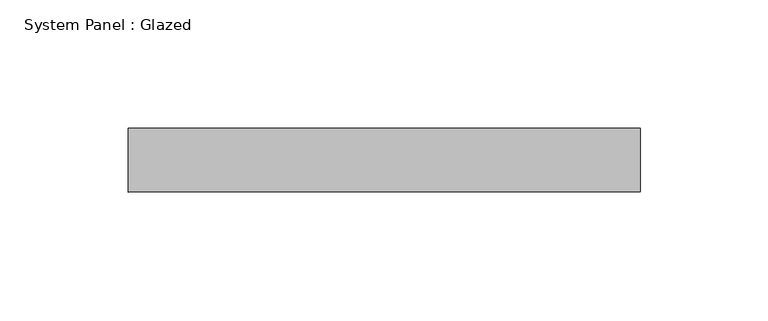
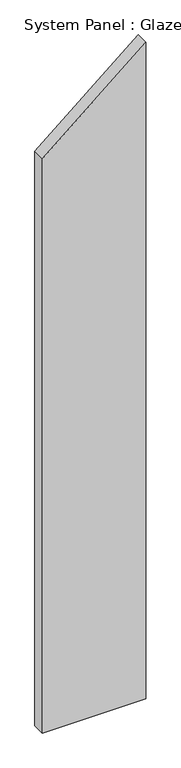
"""IFC4 building model written with IfcOpenShell, lengths in millimetres: plate geometry, System Panel : Glazed."""

from ifc_helpers import new_model, si_unit, frame, origin, place, context, project, spatial, polyline, outline, extrude, source, transform, mapped, element, save


def system_panel_glazed_e3a01a4f(model_context):
    return source(origin(), model_context, "Body", "SweptSolid", [
        extrude(outline(polyline([(0.0, -100.0), (0.0, 100.0), (1342.5594101, 100.0), (1174.7394839, -100.0), (0.0, -100.0)])), frame((0.0, 24.5, 0.0), z_axis=(0.0, 1.0, 0.0), x_axis=(0.0, 0.0, 1.0)), (0.0, 0.0, 1.0), 25.0),
    ])


if __name__ == "__main__":
    model = new_model("IFC4")
    model_context = context("Model", 3, world=origin())
    ifc_project = project(units=[si_unit("LENGTHUNIT", "METRE", prefix="MILLI")], contexts=[model_context])
    site = spatial("IfcSite", under=ifc_project)
    building = spatial("IfcBuilding", under=site)
    placement = place(None, origin())
    system_panel_glazed_shape = system_panel_glazed_e3a01a4f(model_context)
    element("IfcPlate", 1, ObjectType="System Panel : Glazed", at=placement, inside=building, context=model_context, shape_type="MappedRepresentation", body=[
        mapped(system_panel_glazed_shape, transform((0.0, 0.0, 0.0), x_axis=(1.0, 0.0, 0.0), y_axis=(0.0, 1.0, 0.0), z_axis=(0.0, 0.0, 1.0))),
    ])
    save(model, "model.ifc")
